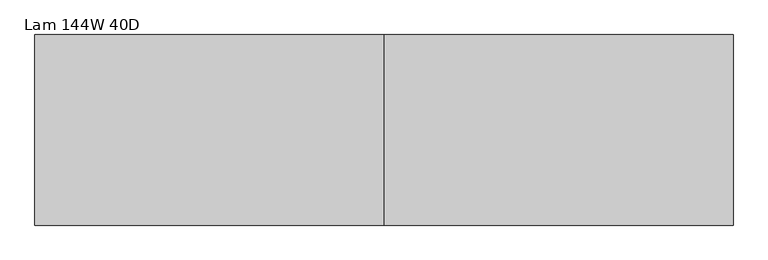
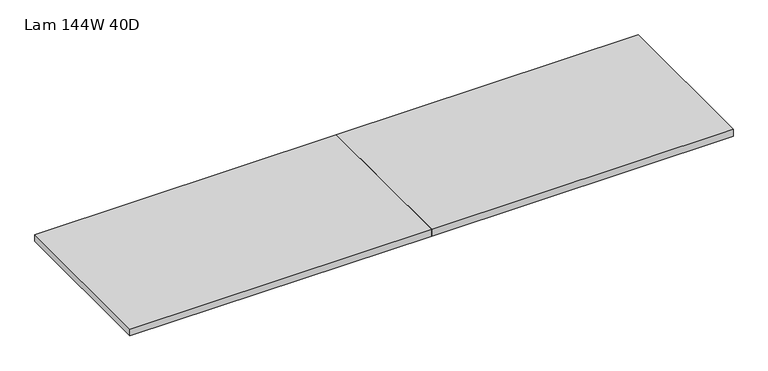
"""IFC4 building model written with IfcOpenShell, lengths in millimetres: furniture geometry, Lam 144W 40D."""

from ifc_helpers import new_model, si_unit, frame, origin, place, context, project, spatial, polyline, outline, extrude, source, transform, mapped, element, save


def lam_144w_40d_e03fb42c(model_context):
    return source(origin(), model_context, "Body", "SweptSolid", [
        extrude(outline(polyline([(3747.77, 508.0), (3747.77, -508.0), (1887.22, -508.0), (1887.22, 508.0), (3747.77, 508.0)])), frame((0.0, 0.0, 1060.45), z_axis=(0.0, 0.0, 1.0), x_axis=(1.0, 0.0, 0.0)), (0.0, 0.0, 1.0), 44.704),
        extrude(outline(polyline([(1887.22, 508.0), (1887.22, -508.0), (26.67, -508.0), (26.67, 508.0), (1887.22, 508.0)])), frame((0.0, 0.0, 1060.45), z_axis=(0.0, 0.0, 1.0), x_axis=(1.0, 0.0, 0.0)), (0.0, 0.0, 1.0), 44.704),
    ])


if __name__ == "__main__":
    model = new_model("IFC4")
    model_context = context("Model", 3, world=origin())
    ifc_project = project(units=[si_unit("LENGTHUNIT", "METRE", prefix="MILLI")], contexts=[model_context])
    site = spatial("IfcSite", under=ifc_project)
    building = spatial("IfcBuilding", under=site)
    placement = place(None, origin())
    lam_144w_40d_shape = lam_144w_40d_e03fb42c(model_context)
    element("IfcFurniture", 1, ObjectType="Lam 144W 40D", at=placement, inside=building, context=model_context, shape_type="MappedRepresentation", body=[
        mapped(lam_144w_40d_shape, transform((0.0, 0.0, 0.0), x_axis=(1.0, 0.0, 0.0), y_axis=(0.0, 1.0, 0.0), z_axis=(0.0, 0.0, 1.0))),
    ])
    save(model, "model.ifc")
